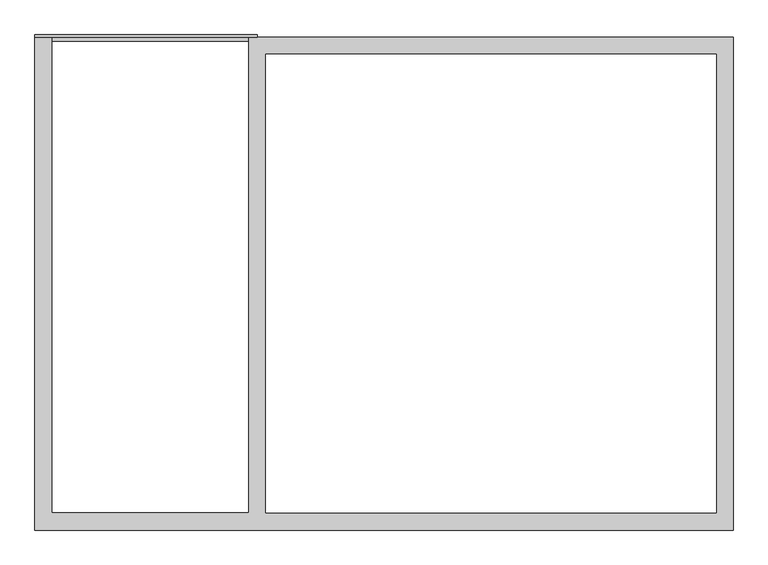
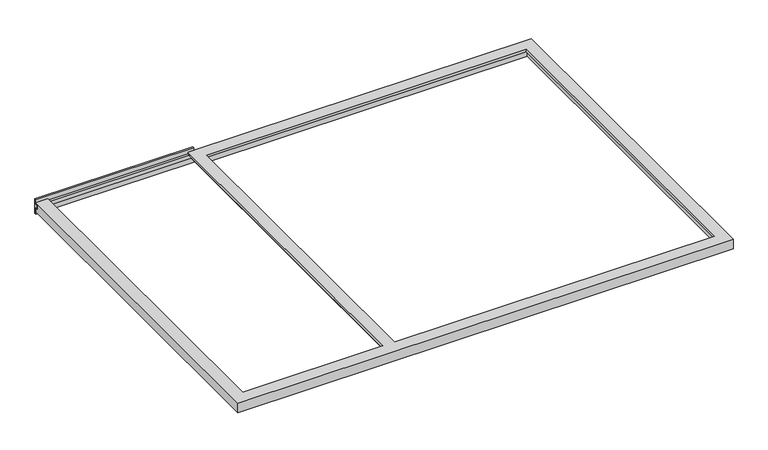
"""IFC4 building model written with IfcOpenShell, lengths in millimetres: proxy geometry."""

from ifc_helpers import new_model, si_unit, frame, origin, place, context, project, spatial, polyline, outline, extrude, faceted_brep, source, transform, mapped, element, save


def generic_models_2543e5b3(model_context):
    return source(origin(), model_context, "Body", "SolidModel", [
        extrude(outline(polyline([(12.0, -86.0), (0.0, -86.0), (0.0, -37.0), (-18.0, -37.0), (-18.0, -12.0), (0.0, -12.0), (0.0, 19.0), (12.0, 19.0), (12.0, -86.0)])), frame((0.0, 0.0, 0.0), z_axis=(1.0, 0.0, 0.0), x_axis=(0.0, 1.0, 0.0)), (0.0, 0.0, 1.0), 1084.5),
        faceted_brep([(0.0, 0.0, -68.0), (0.0, 0.0, 0.0), (83.0, 0.0, 0.0), (83.0, 0.0, -16.0), (68.0, 0.0, -16.0), (68.0, 0.0, -37.0), (48.0, 0.0, -37.0), (48.0, 0.0, -68.0), (0.0, -2402.9, -68.0), (3402.0, -2402.9, -68.0), (3402.0, -2402.9, 0.0), (0.0, -2402.9, 0.0), (48.0, -2354.9, -68.0), (1078.0, -2354.9, -68.0), (1078.0, 0.0, -68.0), (3402.0, 0.0, -68.0), (1108.0, -2337.9, -68.0), (3337.0, -2337.9, -68.0), (3337.0, -65.0, -68.0), (1108.0, -65.0, -68.0), (68.0, -2334.9, -16.0), (68.0, -2334.9, -37.0), (83.0, -2319.9, -16.0), (1043.0, -2319.9, -16.0), (1043.0, 0.0, -16.0), (1058.0, 0.0, -16.0), (1058.0, -2334.9, -16.0), (83.0, -2319.9, 0.0), (3402.0, 0.0, 0.0), (1043.0, 0.0, 0.0), (1043.0, -2319.9, 0.0), (3319.0, -2319.9, 0.0), (1126.0, -2319.9, 0.0), (1126.0, -83.0, 0.0), (3319.0, -83.0, 0.0), (1078.0, 0.0, -37.0), (1058.0, 0.0, -37.0), (1108.0, -65.0, -16.0), (1108.0, -2337.9, -16.0), (3337.0, -65.0, -16.0), (3337.0, -2337.9, -16.0), (3319.0, -2319.9, -16.0), (3319.0, -83.0, -16.0), (1126.0, -83.0, -16.0), (1126.0, -2319.9, -16.0), (1078.0, -2354.9, -37.0), (48.0, -2354.9, -37.0), (1058.0, -2334.9, -37.0)], [[[0, 1, 2, 3, 4, 5, 6, 7]], [[8, 9, 10, 11]], [[7, 12, 13, 14, 15, 9, 8, 0], [16, 17, 18, 19]], [[4, 20, 21, 5]], [[3, 22, 23, 24, 25, 26, 20, 4]], [[2, 27, 22, 3]], [[1, 11, 10, 28, 29, 30, 27, 2], [31, 32, 33, 34]], [[0, 8, 11, 1]], [[28, 15, 14, 35, 36, 25, 24, 29]], [[16, 19, 37, 38]], [[38, 37, 39, 40], [41, 42, 43, 44]], [[44, 43, 33, 32]], [[14, 13, 45, 35]], [[6, 46, 12, 7]], [[5, 21, 47, 36, 35, 45, 46, 6]], [[36, 47, 26, 25]], [[30, 23, 22, 27]], [[21, 20, 26, 47]], [[24, 23, 30, 29]], [[15, 28, 10, 9]], [[32, 31, 41, 44]], [[38, 40, 17, 16]], [[39, 18, 17, 40]], [[31, 34, 42, 41]], [[18, 39, 37, 19]], [[33, 43, 42, 34]], [[12, 46, 45, 13]]]),
    ])


if __name__ == "__main__":
    model = new_model("IFC4")
    model_context = context("Model", 3, world=origin())
    ifc_project = project(units=[si_unit("LENGTHUNIT", "METRE", prefix="MILLI")], contexts=[model_context])
    site = spatial("IfcSite", under=ifc_project)
    building = spatial("IfcBuilding", under=site)
    placement = place(None, origin())
    generic_models_shape = generic_models_2543e5b3(model_context)
    element("IfcBuildingElementProxy", 1, Name="Generic Models", at=placement, inside=building, context=model_context, shape_type="MappedRepresentation", body=[
        mapped(generic_models_shape, transform((0.0, 0.0, 0.0), x_axis=(1.0, 0.0, 0.0), y_axis=(0.0, 1.0, 0.0), z_axis=(0.0, 0.0, 1.0))),
    ])
    save(model, "model.ifc")
